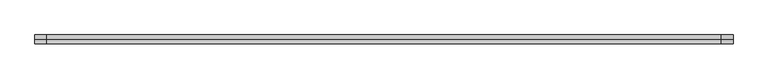
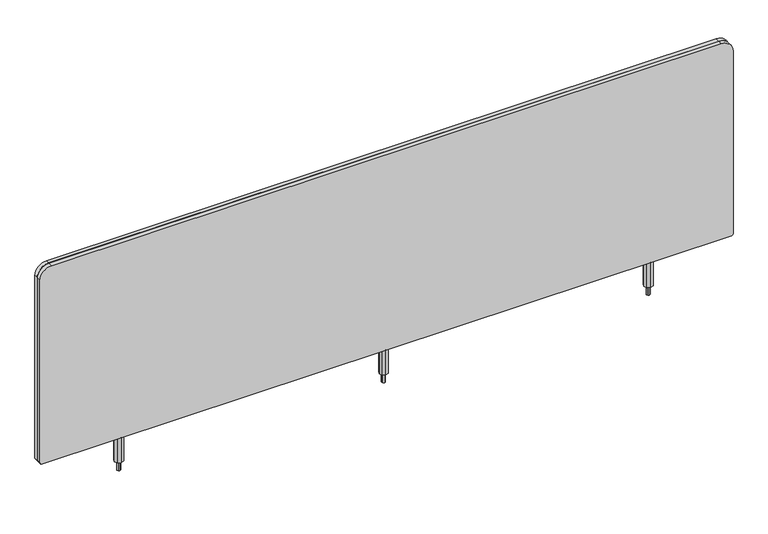
"""IFC4 building model written with IfcOpenShell, lengths in millimetres: furniture geometry."""

from ifc_helpers import new_model, si_unit, frame, origin, place, context, project, spatial, polyline, circle_curve, outline, extrude, source, transform, mapped, element, save
from ifc_brep_helpers import plane_surface, cylinder_surface, advanced_brep


def furniture_94a85ac8(model_context):
    return source(origin(), model_context, "Body", "SolidModel", [
        extrude(outline(polyline([(759.239808, -30.9753009), (762.0326607, -32.1321412), (763.1894942, -34.9250008), (762.0326607, -37.7178604), (759.239808, -38.8746984), (756.446937, -37.7178604), (755.2901036, -34.9250008), (756.446937, -32.1321412), (759.239808, -30.9753009)])), frame((0.0, 0.0, 614.0212418), z_axis=(0.0, 0.0, 1.0), x_axis=(1.0, 0.0, 0.0)), (0.0, 0.0, 1.0), 21.7042711),
        extrude(outline(polyline([(752.5046086, -28.1898082), (759.239808, -25.4000008), (765.9749892, -28.1898082), (768.764808, -34.9250008), (765.9749892, -41.6601933), (759.239808, -44.4499985), (752.5046086, -41.6601933), (749.714808, -34.9250008), (752.5046086, -28.1898082)])), frame((0.0, 0.0, 635.7255129), z_axis=(0.0, 0.0, 1.0), x_axis=(1.0, 0.0, 0.0)), (0.0, 0.0, 1.0), 57.886801),
        extrude(outline(polyline([(1338.5194209, -30.9753009), (1341.3122737, -32.1321412), (1342.4691071, -34.9250008), (1341.3122737, -37.7178604), (1338.5194209, -38.8746984), (1335.7265499, -37.7178604), (1334.5697165, -34.9250008), (1335.7265499, -32.1321412), (1338.5194209, -30.9753009)])), frame((0.0, 0.0, 614.0212418), z_axis=(0.0, 0.0, 1.0), x_axis=(1.0, 0.0, 0.0)), (0.0, 0.0, 1.0), 21.7042711),
        extrude(outline(polyline([(1331.7842215, -28.1898082), (1338.5194209, -25.4000008), (1345.2546021, -28.1898082), (1348.0444209, -34.9250008), (1345.2546021, -41.6601933), (1338.5194209, -44.4499985), (1331.7842215, -41.6601933), (1328.9944209, -34.9250008), (1331.7842215, -28.1898082)])), frame((0.0, 0.0, 635.7255129), z_axis=(0.0, 0.0, 1.0), x_axis=(1.0, 0.0, 0.0)), (0.0, 0.0, 1.0), 57.886801),
        extrude(outline(polyline([(180.0605936, -30.9753009), (182.8534646, -32.1321412), (184.010298, -34.9250008), (182.8534646, -37.7178604), (180.0605936, -38.8746984), (177.2677408, -37.7178604), (176.1109074, -34.9250008), (177.2677408, -32.1321412), (180.0605936, -30.9753009)])), frame((0.0, 0.0, 614.0212418), z_axis=(0.0, 0.0, 1.0), x_axis=(1.0, 0.0, 0.0)), (0.0, 0.0, 1.0), 21.7042711),
        extrude(outline(polyline([(186.795793, -28.1898082), (189.5855936, -34.9250008), (186.795793, -41.6601933), (180.0605936, -44.4499985), (173.3254124, -41.6601933), (170.5355936, -34.9250008), (173.3254124, -28.1898082), (180.0605936, -25.4000008), (186.795793, -28.1898082)])), frame((0.0, 0.0, 635.7255129), z_axis=(0.0, 0.0, 1.0), x_axis=(1.0, 0.0, 0.0)), (0.0, 0.0, 1.0), 57.886801),
        advanced_brep(
        [(2.2508145, -44.5363986, 1119.3671138), (2.2508145, -44.5363986, 696.9143138), (5.5528145, -44.5363986, 693.6123138), (1515.2780145, -44.5363986, 693.6123138), (1518.5800145, -44.5363986, 696.9143138), (1518.5800145, -44.5363986, 1119.3671138), (1493.1800145, -44.5363986, 1144.7671138), (27.6508145, -44.5363986, 1144.7671138), (2.2508145, -25.3188216, 1119.3671138), (27.6508145, -25.3188216, 1144.7671138), (1493.1800145, -25.3188216, 1144.7671138), (1518.5800145, -25.3188216, 1119.3671138), (1518.5800145, -25.3188216, 696.9143138), (1515.2780145, -25.3188216, 693.6123138), (5.5528145, -25.3188216, 693.6123138), (2.2508145, -25.3188216, 696.9143138), (2.2508145, -35.621622, 1119.3671138), (2.2508145, -35.621622, 696.9143138), (2.2508145, -34.248777, 696.9143138), (2.2508145, -34.248777, 1119.3671138), (1518.5800145, -34.248777, 696.9143138), (1518.5800145, -35.621622, 696.9143138), (1518.5800145, -35.621622, 1119.3671138), (1518.5800145, -34.248777, 1119.3671138), (1493.1800145, -35.621622, 1144.7671138), (1493.1800145, -34.248777, 1144.7671138), (27.6508145, -35.621622, 1144.7671138), (27.6508145, -34.248777, 1144.7671138), (1516.9644881, -34.248777, 696.9143138), (1516.9644881, -35.621622, 696.9143138), (3.8663409, -34.248777, 696.9143138), (3.8663409, -34.248777, 1119.3671138), (27.6508145, -34.248777, 1143.1515875), (1493.1800145, -34.248777, 1143.1515875), (1516.9644881, -34.248777, 1119.3671138), (1516.9644881, -35.621622, 1119.3671138), (1493.1800145, -35.621622, 1143.1515875), (27.6508145, -35.621622, 1143.1515875), (3.8663409, -35.621622, 1119.3671138), (3.8663409, -35.621622, 696.9143138)],
        [
            (0, 1),
            (1, 2, circle_curve(frame((5.5528145, -44.5363986, 696.9143138), z_axis=(0.0, -1.0, 0.0), x_axis=(1.0, 0.0, 0.0)), 3.302)),
            (2, 3),
            (3, 4, circle_curve(frame((1515.2780145, -44.5363986, 696.9143138), z_axis=(0.0, -1.0, 0.0), x_axis=(1.0, 0.0, 0.0)), 3.302)),
            (4, 5),
            (5, 6, circle_curve(frame((1493.1800145, -44.5363986, 1119.3671138), z_axis=(0.0, -1.0, 0.0), x_axis=(1.0, 0.0, 0.0)), 25.4)),
            (6, 7),
            (7, 0, circle_curve(frame((27.6508145, -44.5363986, 1119.3671138), z_axis=(0.0, -1.0, 0.0), x_axis=(1.0, 0.0, 0.0)), 25.4)),
            (8, 9, circle_curve(frame((27.6508145, -25.3188216, 1119.3671138), z_axis=(0.0, 1.0, 0.0), x_axis=(1.0, 0.0, 0.0)), 25.4)),
            (9, 10),
            (10, 11, circle_curve(frame((1493.1800145, -25.3188216, 1119.3671138), z_axis=(0.0, 1.0, 0.0), x_axis=(1.0, 0.0, 0.0)), 25.4)),
            (11, 12),
            (12, 13, circle_curve(frame((1515.2780145, -25.3188216, 696.9143138), z_axis=(0.0, 1.0, 0.0), x_axis=(1.0, 0.0, 0.0)), 3.302)),
            (13, 14),
            (14, 15, circle_curve(frame((5.5528145, -25.3188216, 696.9143138), z_axis=(0.0, 1.0, 0.0), x_axis=(1.0, 0.0, 0.0)), 3.302)),
            (15, 8),
            (0, 16),
            (16, 17),
            (17, 1),
            (15, 18),
            (18, 19),
            (19, 8),
            (17, 18),
            (14, 2),
            (13, 3),
            (12, 20),
            (20, 21),
            (21, 4),
            (21, 22),
            (22, 5),
            (11, 23),
            (23, 20),
            (22, 24, circle_curve(frame((1493.1800145, -35.621622, 1119.3671138), z_axis=(0.0, -1.0, 0.0), x_axis=(1.0, 0.0, 0.0)), 25.4)),
            (24, 6),
            (10, 25),
            (25, 23, circle_curve(frame((1493.1800145, -34.248777, 1119.3671138), z_axis=(0.0, 1.0, 0.0), x_axis=(1.0, 0.0, 0.0)), 25.4)),
            (24, 26),
            (26, 7),
            (9, 27),
            (27, 25),
            (26, 16, circle_curve(frame((27.6508145, -35.621622, 1119.3671138), z_axis=(0.0, -1.0, 0.0), x_axis=(1.0, 0.0, 0.0)), 25.4)),
            (19, 27, circle_curve(frame((27.6508145, -34.248777, 1119.3671138), z_axis=(0.0, 1.0, 0.0), x_axis=(1.0, 0.0, 0.0)), 25.4)),
            (28, 29),
            (29, 21),
            (20, 28),
            (18, 30),
            (30, 31),
            (31, 32, circle_curve(frame((27.6508145, -34.248777, 1119.3671138), z_axis=(0.0, 1.0, 0.0), x_axis=(0.0, 0.0, 1.0)), 23.7844736)),
            (32, 33),
            (33, 34, circle_curve(frame((1493.1800145, -34.248777, 1119.3671138), z_axis=(0.0, 1.0, 0.0), x_axis=(1.0, 0.0, 0.0)), 23.7844736)),
            (34, 28),
            (29, 35),
            (35, 36, circle_curve(frame((1493.1800145, -35.621622, 1119.3671138), z_axis=(0.0, -1.0, 0.0), x_axis=(1.0, 0.0, 0.0)), 23.7844736)),
            (36, 37),
            (37, 38, circle_curve(frame((27.6508145, -35.621622, 1119.3671138), z_axis=(0.0, -1.0, 0.0), x_axis=(0.0, 0.0, 1.0)), 23.7844736)),
            (38, 39),
            (39, 17),
            (34, 35),
            (33, 36),
            (32, 37),
            (31, 38),
            (39, 30),
        ],
        [
            plane_surface(frame((2.2508145, -44.5363986, 696.9143138), z_axis=(0.0, -1.0, 0.0), x_axis=(0.0, 0.0, -1.0))),
            plane_surface(frame((2.2508145, -25.3188216, 696.9143138), z_axis=(0.0, 1.0, 0.0), x_axis=(0.0, 0.0, 1.0))),
            plane_surface(frame((2.2508145, -44.5363986, 1119.3671138), z_axis=(-1.0, 0.0, 0.0), x_axis=(0.0, 1.0, 0.0))),
            cylinder_surface(frame((5.5528145, -25.3188216, 696.9143138), z_axis=(0.0, -1.0, 0.0), x_axis=(1.0, 0.0, 0.0)), 3.302),
            plane_surface(frame((5.5528145, -44.5363986, 693.6123138), z_axis=(0.0, 0.0, -1.0), x_axis=(0.0, 1.0, 0.0))),
            cylinder_surface(frame((1515.2780145, -25.3188216, 696.9143138), z_axis=(0.0, -1.0, 0.0), x_axis=(1.0, 0.0, 0.0)), 3.302),
            plane_surface(frame((1518.5800145, -44.5363986, 696.9143138), z_axis=(1.0, 0.0, 0.0), x_axis=(0.0, 1.0, 0.0))),
            cylinder_surface(frame((1493.1800145, -25.3188216, 1119.3671138), z_axis=(0.0, -1.0, 0.0), x_axis=(1.0, 0.0, 0.0)), 25.4),
            plane_surface(frame((1493.1800145, -44.5363986, 1144.7671138), z_axis=(0.0, 0.0, 1.0), x_axis=(0.0, 1.0, 0.0))),
            cylinder_surface(frame((27.6508145, -25.3188216, 1119.3671138), z_axis=(0.0, -1.0, 0.0), x_axis=(1.0, 0.0, 0.0)), 25.4),
            plane_surface(frame((1518.5800145, -44.5363986, 696.9143138), z_axis=(0.0, 0.0, 1.0), x_axis=(1.0, 0.0, 0.0))),
            plane_surface(frame((1516.9644881, -34.248777, 696.9143138), z_axis=(0.0, -1.0, 0.0), x_axis=(0.0, 0.0, 1.0))),
            plane_surface(frame((1518.5800145, -35.621622, 696.9143138), z_axis=(0.0, 1.0, 0.0), x_axis=(0.0, 0.0, 1.0))),
            plane_surface(frame((1516.9644881, -35.621622, 696.9143138), z_axis=(1.0, 0.0, 0.0), x_axis=(0.0, 0.0, 1.0))),
            cylinder_surface(frame((1493.1800145, -44.5363986, 1119.3671138), z_axis=(0.0, -1.0, 0.0), x_axis=(1.0, 0.0, 0.0)), 23.7844736),
            plane_surface(frame((1493.1800145, -35.621622, 1143.1515875), z_axis=(0.0, 0.0, 1.0), x_axis=(-1.0, 0.0, 0.0))),
            cylinder_surface(frame((27.6508145, -44.5363986, 1119.3671138), z_axis=(0.0, -1.0, 0.0), x_axis=(0.0, 0.0, 1.0)), 23.7844736),
            plane_surface(frame((2.2508145, -44.5363986, 696.9143138), z_axis=(0.0, 0.0, 1.0), x_axis=(-1.0, 0.0, 0.0))),
            plane_surface(frame((3.8663409, -35.621622, 1119.3671138), z_axis=(-1.0, 0.0, 0.0), x_axis=(0.0, 0.0, -1.0))),
        ],
        [
            (0, [[1, 2, 3, 4, 5, 6, 7, 8]]),
            (1, [[9, 10, 11, 12, 13, 14, 15, 16]]),
            (2, [[-1, 17, 18, 19]]),
            (2, [[-16, 20, 21, 22]]),
            (3, [[-2, -19, 23, -20, -15, 24]]),
            (4, [[-3, -24, -14, 25]]),
            (5, [[-4, -25, -13, 26, 27, 28]]),
            (6, [[-5, -28, 29, 30]]),
            (6, [[-12, 31, 32, -26]]),
            (7, [[-6, -30, 33, 34]]),
            (7, [[-11, 35, 36, -31]]),
            (8, [[-7, -34, 37, 38]]),
            (8, [[-10, 39, 40, -35]]),
            (9, [[-8, -38, 41, -17]]),
            (9, [[-9, -22, 42, -39]]),
            (10, [[43, 44, -27, 45]]),
            (11, [[-45, -32, -36, -40, -42, -21, 46, 47, 48, 49, 50, 51]]),
            (12, [[-44, 52, 53, 54, 55, 56, 57, -18, -41, -37, -33, -29]]),
            (13, [[-43, -51, 58, -52]]),
            (14, [[-50, 59, -53, -58]]),
            (15, [[-49, 60, -54, -59]]),
            (16, [[-48, 61, -55, -60]]),
            (17, [[-46, -23, -57, 62]]),
            (18, [[-47, -62, -56, -61]]),
        ],
    ),
    ])


if __name__ == "__main__":
    model = new_model("IFC4")
    model_context = context("Model", 3, world=origin())
    ifc_project = project(units=[si_unit("LENGTHUNIT", "METRE", prefix="MILLI")], contexts=[model_context])
    site = spatial("IfcSite", under=ifc_project)
    building = spatial("IfcBuilding", under=site)
    placement = place(None, origin())
    furniture_shape = furniture_94a85ac8(model_context)
    element("IfcFurniture", 1, at=placement, inside=building, context=model_context, shape_type="MappedRepresentation", body=[
        mapped(furniture_shape, transform((0.0, 0.0, 0.0), x_axis=(1.0, 0.0, 0.0), y_axis=(0.0, 1.0, 0.0), z_axis=(0.0, 0.0, 1.0))),
    ])
    save(model, "model.ifc")
